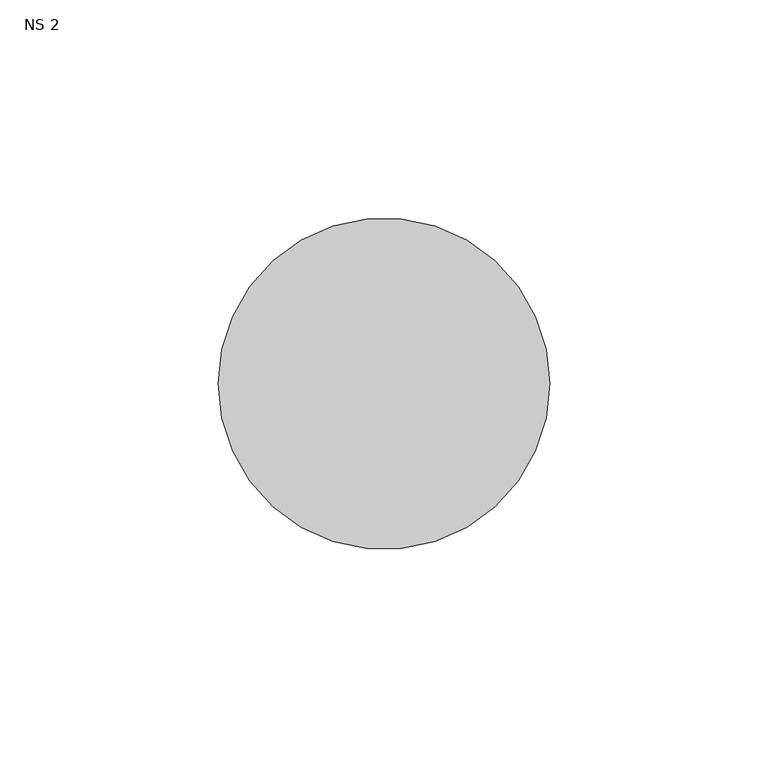
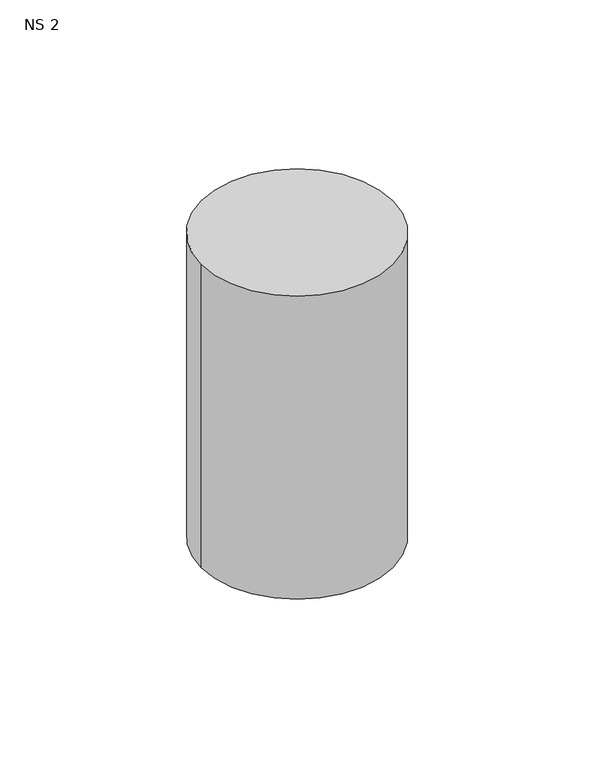
"""IFC4 building model written with IfcOpenShell, lengths in millimetres: unitary equipment geometry, NS 2."""

from ifc_helpers import new_model, si_unit, point, frame, frame_2d, origin, place, context, project, spatial, circle_curve, trimmed, segment, composite_curve, outline, extrude, source, transform, mapped, element, save


def ns_2_601247f1(model_context):
    return source(origin(), model_context, "Body", "SweptSolid", [
        extrude(outline(composite_curve([segment(trimmed(circle_curve(frame_2d((-304.5, 238.5395574)), 38.0), [point((-342.5, 238.5395574))], [point((-266.5, 238.5395574))], False, "CARTESIAN"), True, "CONTINUOUS"), segment(trimmed(circle_curve(frame_2d((-304.5, 238.5395574)), 38.0), [point((-266.5, 238.5395574))], [point((-342.5, 238.5395574))], False, "CARTESIAN"), True, "CONTINUOUS")], self_intersect=False)), frame((0.0, 0.0, 1260.0), z_axis=(0.0, 0.0, 1.0), x_axis=(1.0, 0.0, 0.0)), (0.0, 0.0, 1.0), 127.0),
    ])


if __name__ == "__main__":
    model = new_model("IFC4")
    model_context = context("Model", 3, world=origin())
    ifc_project = project(units=[si_unit("LENGTHUNIT", "METRE", prefix="MILLI")], contexts=[model_context])
    site = spatial("IfcSite", under=ifc_project)
    building = spatial("IfcBuilding", under=site)
    placement = place(None, origin())
    ns_2_shape = ns_2_601247f1(model_context)
    element("IfcUnitaryEquipment", 1, ObjectType="NS 2", at=placement, inside=building, context=model_context, shape_type="MappedRepresentation", body=[
        mapped(ns_2_shape, transform((0.0, 0.0, 0.0), x_axis=(1.0, 0.0, 0.0), y_axis=(0.0, 1.0, 0.0), z_axis=(0.0, 0.0, 1.0))),
    ])
    save(model, "model.ifc")
